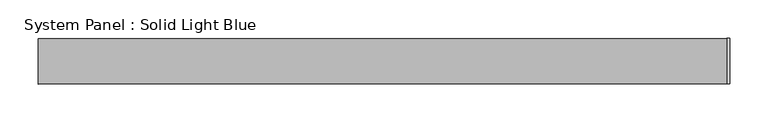
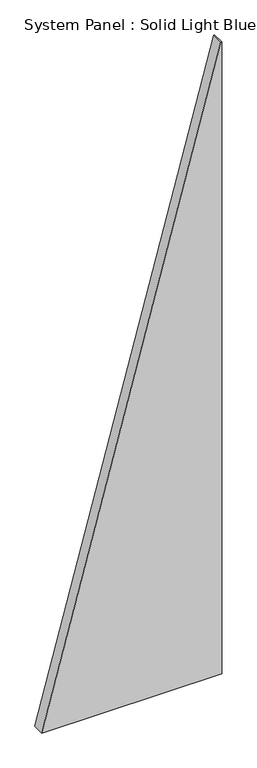
"""IFC4 building model written with IfcOpenShell, lengths in millimetres: plate geometry, System Panel : Solid Light Blue."""

import ifcopenshell
import ifcopenshell.guid

model = None  # the IFC model being written
_history = None  # IfcOwnerHistory: only IFC2X3 demands one
_inside = {}  # id of a spatial element -> (the spatial element, [elements in it])
_under = {}  # id of a project, library or spatial element -> (it, [spatial elements below it])
_declared = {}  # id of a project -> (the project, [libraries it declares])
_typed = {}  # id of a type object -> (the type object, [elements of that type])
_made_of = {}  # id of a material, layer set ... -> (it, [elements and type objects made of it])


def new_model(schema):
    """Start an empty IFC model of exactly this schema.

    Asked for "IFC4X3", IfcOpenShell would pick the latest addendum, in which some entities
    have other attributes; the version numbers below select the first issue.
    IFC2X3 requires an IfcOwnerHistory on every rooted entity: one is made here for all.
    """
    global model, _history
    if schema == "IFC4X3":
        model = ifcopenshell.file(schema_version=(4, 3, 0, 0))
    else:
        model = ifcopenshell.file(schema=schema)
    _inside.clear()
    _under.clear()
    _declared.clear()
    _typed.clear()
    _made_of.clear()
    _history = None
    if model.schema == "IFC2X3":
        org = make("IfcOrganization", Name="unknown")
        user = make(
            "IfcPersonAndOrganization",
            ThePerson=make("IfcPerson", FamilyName="unknown"),
            TheOrganization=org,
        )
        app = make(
            "IfcApplication",
            ApplicationDeveloper=org,
            Version="unknown",
            ApplicationFullName="unknown",
            ApplicationIdentifier="unknown",
        )
        _history = make(
            "IfcOwnerHistory",
            OwningUser=user,
            OwningApplication=app,
            ChangeAction="ADDED",
            CreationDate=0,
        )
    return model


def make(cls, **values):
    """One entity of the class cls with the attributes given. An attribute that is None is left unset."""
    return model.create_entity(
        cls, **{name: value for name, value in values.items() if value is not None}
    )


def rooted(cls, **values):
    """An entity with a GlobalId (a new one), such as an element, a storey or a relation."""
    return make(cls, GlobalId=ifcopenshell.guid.new(), OwnerHistory=_history, **values)


def si_unit(unit_type, name, prefix=None):
    """IfcSIUnit, for example si_unit("LENGTHUNIT", "METRE", prefix="MILLI")."""
    return make("IfcSIUnit", UnitType=unit_type, Prefix=prefix, Name=name)


def assignment(units):
    """IfcUnitAssignment: the units of a project."""
    return None if units is None else make("IfcUnitAssignment", Units=units)


def point(xyz):
    """IfcCartesianPoint."""
    return None if xyz is None else make("IfcCartesianPoint", Coordinates=xyz)


def direction(xyz):
    """IfcDirection."""
    return None if xyz is None else make("IfcDirection", DirectionRatios=xyz)


def frame(location, z_axis=None, x_axis=None):
    """IfcAxis2Placement3D, a coordinate frame: its origin and axes. An axis left out is left unset."""
    return make(
        "IfcAxis2Placement3D",
        Location=point(location),
        Axis=direction(z_axis),
        RefDirection=direction(x_axis),
    )


def origin():
    """The frame at (0, 0, 0) with its axes left unset."""
    return frame((0.0, 0.0, 0.0))


def place(relative_to, where):
    """IfcLocalPlacement: puts the frame where relative to a parent placement (None: the world)."""
    return make(
        "IfcLocalPlacement", PlacementRelTo=relative_to, RelativePlacement=where
    )


def context(
    kind, dimensions, precision=None, world=None, true_north=None, identifier=None
):
    """IfcGeometricRepresentationContext, for example the 3D "Model" context."""
    return make(
        "IfcGeometricRepresentationContext",
        ContextIdentifier=identifier,
        ContextType=kind,
        CoordinateSpaceDimension=dimensions,
        Precision=precision,
        WorldCoordinateSystem=world,
        TrueNorth=true_north,
    )


def project(units=None, contexts=None):
    """IfcProject with its units and contexts."""
    return rooted(
        "IfcProject",
        Name="project",
        RepresentationContexts=contexts,
        UnitsInContext=assignment(units),
    )


def spatial(cls, under=None, at=None, **own):
    """A site, building, storey or space (cls), placed at a placement, below another one or the project."""
    s = rooted(cls, ObjectPlacement=at, **own)
    if under is not None:
        _under.setdefault(under.id(), (under, []))[1].append(s)
    return s


def polyline(points):
    """IfcPolyline through the points."""
    return make("IfcPolyline", Points=[point(p) for p in points])


def outline(outer, holes=None, kind="AREA"):
    """IfcArbitraryClosedProfileDef: a profile drawn as a closed curve; with holes, ...WithVoids."""
    if holes is None:
        return make("IfcArbitraryClosedProfileDef", ProfileType=kind, OuterCurve=outer)
    return make(
        "IfcArbitraryProfileDefWithVoids",
        ProfileType=kind,
        OuterCurve=outer,
        InnerCurves=holes,
    )


def extrude(swept, where, along, depth):
    """IfcExtrudedAreaSolid: the profile swept, set in the frame where, extruded along a direction by depth."""
    return make(
        "IfcExtrudedAreaSolid",
        SweptArea=swept,
        Position=where,
        ExtrudedDirection=direction(along),
        Depth=depth,
    )


def shape(context_of_items, identifier, shape_type, items):
    """IfcShapeRepresentation: the items that make up one representation, for example the "Body"."""
    return make(
        "IfcShapeRepresentation",
        ContextOfItems=context_of_items,
        RepresentationIdentifier=identifier,
        RepresentationType=shape_type,
        Items=items,
    )


def source(mapping_origin, context_of_items, identifier, shape_type, items):
    """IfcRepresentationMap: a shape defined once, which mapped items show again and again."""
    return make(
        "IfcRepresentationMap",
        MappingOrigin=mapping_origin,
        MappedRepresentation=shape(context_of_items, identifier, shape_type, items),
    )


def transform(
    local_origin,
    x_axis=None,
    y_axis=None,
    z_axis=None,
    scale=None,
    scale2=None,
    scale3=None,
    uniform=True,
):
    """IfcCartesianTransformationOperator3D, or its non-uniform kind. x_axis, y_axis, z_axis: its Axis1, 2, 3."""
    if uniform:
        return make(
            "IfcCartesianTransformationOperator3D",
            Axis1=direction(x_axis),
            Axis2=direction(y_axis),
            LocalOrigin=point(local_origin),
            Scale=scale,
            Axis3=direction(z_axis),
        )
    return make(
        "IfcCartesianTransformationOperator3DnonUniform",
        Axis1=direction(x_axis),
        Axis2=direction(y_axis),
        LocalOrigin=point(local_origin),
        Scale=scale,
        Axis3=direction(z_axis),
        Scale2=scale2,
        Scale3=scale3,
    )


def mapped(mapping_source, mapping_target):
    """IfcMappedItem: shows the shape of a source again, moved by a transform."""
    return make(
        "IfcMappedItem", MappingSource=mapping_source, MappingTarget=mapping_target
    )


def made_of(thing, what):
    """Note that an element or type object is made of a material, layer set ...; save() writes the relation."""
    if what is not None:
        _made_of.setdefault(what.id(), (what, []))[1].append(thing)
    return thing


def element(
    cls,
    number,
    at=None,
    inside=None,
    cuts=None,
    type_object=None,
    material=None,
    context=None,
    identifier="Body",
    shape_type=None,
    held_by="IfcProductDefinitionShape",
    body=None,
    shapes=None,
    **own,
):
    """One element of the class cls, such as IfcWall. Its Tag is "e" and its number.

    at: its placement. inside: the storey or other place that contains it. cuts: it is an
    opening in that element (IfcRelVoidsElement). A single representation is given by context,
    identifier, shape_type and body (its items); several are given by shapes. held_by: the class
    of the entity that holds the representations. save() writes the other relations.
    """
    e = rooted(cls, Tag="e%d" % number, ObjectPlacement=at, **own)
    if body is not None:
        shapes = [shape(context, identifier, shape_type, body)]
    if shapes is not None:
        e.Representation = make(held_by, Representations=shapes)
    if inside is not None:
        _inside.setdefault(inside.id(), (inside, []))[1].append(e)
    if cuts is not None:
        rooted(
            "IfcRelVoidsElement", RelatingBuildingElement=cuts, RelatedOpeningElement=e
        )
    if type_object is not None:
        _typed.setdefault(type_object.id(), (type_object, []))[1].append(e)
    return made_of(e, material)


def aggregate(whole, parts):
    """IfcRelAggregates: a whole, such as a stair, and the parts it consists of."""
    return rooted("IfcRelAggregates", RelatingObject=whole, RelatedObjects=parts)


def save(model, path):
    """Write the relations noted so far, then the file.

    IfcRelAggregates (storeys below a building ...), IfcRelContainedInSpatialStructure (elements
    in a storey), IfcRelDefinesByType, IfcRelAssociatesMaterial and IfcRelDeclares: one each for
    every whole, place, type object, material and project.
    """
    for whole, parts in _under.values():
        aggregate(whole, parts)
    for where, things in _inside.values():
        rooted(
            "IfcRelContainedInSpatialStructure",
            RelatedElements=things,
            RelatingStructure=where,
        )
    for kind, things in _typed.values():
        rooted("IfcRelDefinesByType", RelatedObjects=things, RelatingType=kind)
    for what, things in _made_of.values():
        rooted("IfcRelAssociatesMaterial", RelatedObjects=things, RelatingMaterial=what)
    for by, libraries in _declared.values():
        rooted("IfcRelDeclares", RelatingContext=by, RelatedDefinitions=libraries)
    model.write(path)


def system_panel_solid_light_blue_eab336dd(model_context):
    return source(origin(), model_context, "Body", "SweptSolid", [
        extrude(outline(polyline([(0.0, -453.0230857), (0.0, 453.0230857), (3364.5246597, 453.0230857), (3365.6557862, 448.8016642), (0.0, -453.0230857)])), frame((0.0, -30.0, 0.0), z_axis=(0.0, 1.0, 0.0), x_axis=(0.0, 0.0, 1.0)), (0.0, 0.0, 1.0), 60.0),
    ])


if __name__ == "__main__":
    model = new_model("IFC4")
    model_context = context("Model", 3, world=origin())
    ifc_project = project(units=[si_unit("LENGTHUNIT", "METRE", prefix="MILLI")], contexts=[model_context])
    site = spatial("IfcSite", under=ifc_project)
    building = spatial("IfcBuilding", under=site)
    placement = place(None, origin())
    system_panel_solid_light_blue_shape = system_panel_solid_light_blue_eab336dd(model_context)
    element("IfcPlate", 1, ObjectType="System Panel : Solid Light Blue", at=placement, inside=building, context=model_context, shape_type="MappedRepresentation", body=[
        mapped(system_panel_solid_light_blue_shape, transform((0.0, 0.0, 0.0), x_axis=(1.0, 0.0, 0.0), y_axis=(0.0, 1.0, 0.0), z_axis=(0.0, 0.0, 1.0))),
    ])
    save(model, "model.ifc")
